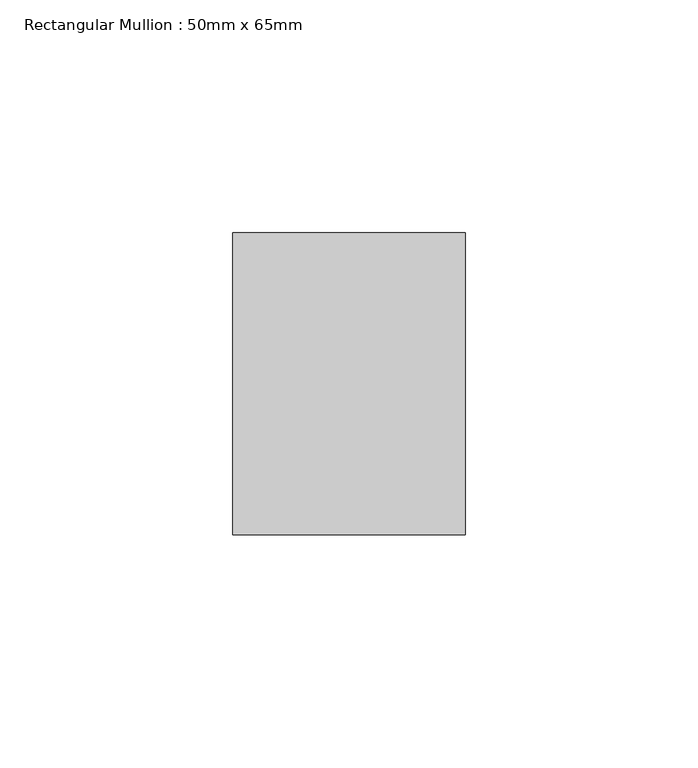
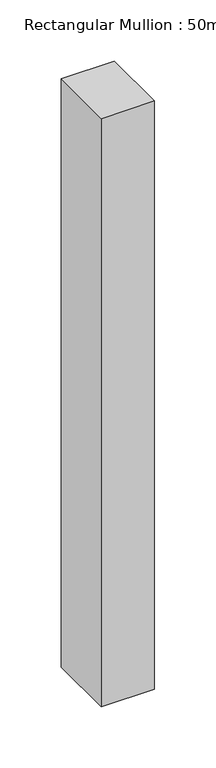
"""IFC4 building model written with IfcOpenShell, lengths in millimetres: member geometry, Rectangular Mullion : 50mm x 65mm."""

import ifcopenshell
import ifcopenshell.guid

model = None  # the IFC model being written
_history = None  # IfcOwnerHistory: only IFC2X3 demands one
_inside = {}  # id of a spatial element -> (the spatial element, [elements in it])
_under = {}  # id of a project, library or spatial element -> (it, [spatial elements below it])
_declared = {}  # id of a project -> (the project, [libraries it declares])
_typed = {}  # id of a type object -> (the type object, [elements of that type])
_made_of = {}  # id of a material, layer set ... -> (it, [elements and type objects made of it])


def new_model(schema):
    """Start an empty IFC model of exactly this schema.

    Asked for "IFC4X3", IfcOpenShell would pick the latest addendum, in which some entities
    have other attributes; the version numbers below select the first issue.
    IFC2X3 requires an IfcOwnerHistory on every rooted entity: one is made here for all.
    """
    global model, _history
    if schema == "IFC4X3":
        model = ifcopenshell.file(schema_version=(4, 3, 0, 0))
    else:
        model = ifcopenshell.file(schema=schema)
    _inside.clear()
    _under.clear()
    _declared.clear()
    _typed.clear()
    _made_of.clear()
    _history = None
    if model.schema == "IFC2X3":
        org = make("IfcOrganization", Name="unknown")
        user = make(
            "IfcPersonAndOrganization",
            ThePerson=make("IfcPerson", FamilyName="unknown"),
            TheOrganization=org,
        )
        app = make(
            "IfcApplication",
            ApplicationDeveloper=org,
            Version="unknown",
            ApplicationFullName="unknown",
            ApplicationIdentifier="unknown",
        )
        _history = make(
            "IfcOwnerHistory",
            OwningUser=user,
            OwningApplication=app,
            ChangeAction="ADDED",
            CreationDate=0,
        )
    return model


def make(cls, **values):
    """One entity of the class cls with the attributes given. An attribute that is None is left unset."""
    return model.create_entity(
        cls, **{name: value for name, value in values.items() if value is not None}
    )


def rooted(cls, **values):
    """An entity with a GlobalId (a new one), such as an element, a storey or a relation."""
    return make(cls, GlobalId=ifcopenshell.guid.new(), OwnerHistory=_history, **values)


def si_unit(unit_type, name, prefix=None):
    """IfcSIUnit, for example si_unit("LENGTHUNIT", "METRE", prefix="MILLI")."""
    return make("IfcSIUnit", UnitType=unit_type, Prefix=prefix, Name=name)


def assignment(units):
    """IfcUnitAssignment: the units of a project."""
    return None if units is None else make("IfcUnitAssignment", Units=units)


def point(xyz):
    """IfcCartesianPoint."""
    return None if xyz is None else make("IfcCartesianPoint", Coordinates=xyz)


def direction(xyz):
    """IfcDirection."""
    return None if xyz is None else make("IfcDirection", DirectionRatios=xyz)


def frame(location, z_axis=None, x_axis=None):
    """IfcAxis2Placement3D, a coordinate frame: its origin and axes. An axis left out is left unset."""
    return make(
        "IfcAxis2Placement3D",
        Location=point(location),
        Axis=direction(z_axis),
        RefDirection=direction(x_axis),
    )


def origin():
    """The frame at (0, 0, 0) with its axes left unset."""
    return frame((0.0, 0.0, 0.0))


def place(relative_to, where):
    """IfcLocalPlacement: puts the frame where relative to a parent placement (None: the world)."""
    return make(
        "IfcLocalPlacement", PlacementRelTo=relative_to, RelativePlacement=where
    )


def context(
    kind, dimensions, precision=None, world=None, true_north=None, identifier=None
):
    """IfcGeometricRepresentationContext, for example the 3D "Model" context."""
    return make(
        "IfcGeometricRepresentationContext",
        ContextIdentifier=identifier,
        ContextType=kind,
        CoordinateSpaceDimension=dimensions,
        Precision=precision,
        WorldCoordinateSystem=world,
        TrueNorth=true_north,
    )


def project(units=None, contexts=None):
    """IfcProject with its units and contexts."""
    return rooted(
        "IfcProject",
        Name="project",
        RepresentationContexts=contexts,
        UnitsInContext=assignment(units),
    )


def spatial(cls, under=None, at=None, **own):
    """A site, building, storey or space (cls), placed at a placement, below another one or the project."""
    s = rooted(cls, ObjectPlacement=at, **own)
    if under is not None:
        _under.setdefault(under.id(), (under, []))[1].append(s)
    return s


def polyline(points):
    """IfcPolyline through the points."""
    return make("IfcPolyline", Points=[point(p) for p in points])


def outline(outer, holes=None, kind="AREA"):
    """IfcArbitraryClosedProfileDef: a profile drawn as a closed curve; with holes, ...WithVoids."""
    if holes is None:
        return make("IfcArbitraryClosedProfileDef", ProfileType=kind, OuterCurve=outer)
    return make(
        "IfcArbitraryProfileDefWithVoids",
        ProfileType=kind,
        OuterCurve=outer,
        InnerCurves=holes,
    )


def extrude(swept, where, along, depth):
    """IfcExtrudedAreaSolid: the profile swept, set in the frame where, extruded along a direction by depth."""
    return make(
        "IfcExtrudedAreaSolid",
        SweptArea=swept,
        Position=where,
        ExtrudedDirection=direction(along),
        Depth=depth,
    )


def shape(context_of_items, identifier, shape_type, items):
    """IfcShapeRepresentation: the items that make up one representation, for example the "Body"."""
    return make(
        "IfcShapeRepresentation",
        ContextOfItems=context_of_items,
        RepresentationIdentifier=identifier,
        RepresentationType=shape_type,
        Items=items,
    )


def source(mapping_origin, context_of_items, identifier, shape_type, items):
    """IfcRepresentationMap: a shape defined once, which mapped items show again and again."""
    return make(
        "IfcRepresentationMap",
        MappingOrigin=mapping_origin,
        MappedRepresentation=shape(context_of_items, identifier, shape_type, items),
    )


def transform(
    local_origin,
    x_axis=None,
    y_axis=None,
    z_axis=None,
    scale=None,
    scale2=None,
    scale3=None,
    uniform=True,
):
    """IfcCartesianTransformationOperator3D, or its non-uniform kind. x_axis, y_axis, z_axis: its Axis1, 2, 3."""
    if uniform:
        return make(
            "IfcCartesianTransformationOperator3D",
            Axis1=direction(x_axis),
            Axis2=direction(y_axis),
            LocalOrigin=point(local_origin),
            Scale=scale,
            Axis3=direction(z_axis),
        )
    return make(
        "IfcCartesianTransformationOperator3DnonUniform",
        Axis1=direction(x_axis),
        Axis2=direction(y_axis),
        LocalOrigin=point(local_origin),
        Scale=scale,
        Axis3=direction(z_axis),
        Scale2=scale2,
        Scale3=scale3,
    )


def mapped(mapping_source, mapping_target):
    """IfcMappedItem: shows the shape of a source again, moved by a transform."""
    return make(
        "IfcMappedItem", MappingSource=mapping_source, MappingTarget=mapping_target
    )


def made_of(thing, what):
    """Note that an element or type object is made of a material, layer set ...; save() writes the relation."""
    if what is not None:
        _made_of.setdefault(what.id(), (what, []))[1].append(thing)
    return thing


def element(
    cls,
    number,
    at=None,
    inside=None,
    cuts=None,
    type_object=None,
    material=None,
    context=None,
    identifier="Body",
    shape_type=None,
    held_by="IfcProductDefinitionShape",
    body=None,
    shapes=None,
    **own,
):
    """One element of the class cls, such as IfcWall. Its Tag is "e" and its number.

    at: its placement. inside: the storey or other place that contains it. cuts: it is an
    opening in that element (IfcRelVoidsElement). A single representation is given by context,
    identifier, shape_type and body (its items); several are given by shapes. held_by: the class
    of the entity that holds the representations. save() writes the other relations.
    """
    e = rooted(cls, Tag="e%d" % number, ObjectPlacement=at, **own)
    if body is not None:
        shapes = [shape(context, identifier, shape_type, body)]
    if shapes is not None:
        e.Representation = make(held_by, Representations=shapes)
    if inside is not None:
        _inside.setdefault(inside.id(), (inside, []))[1].append(e)
    if cuts is not None:
        rooted(
            "IfcRelVoidsElement", RelatingBuildingElement=cuts, RelatedOpeningElement=e
        )
    if type_object is not None:
        _typed.setdefault(type_object.id(), (type_object, []))[1].append(e)
    return made_of(e, material)


def aggregate(whole, parts):
    """IfcRelAggregates: a whole, such as a stair, and the parts it consists of."""
    return rooted("IfcRelAggregates", RelatingObject=whole, RelatedObjects=parts)


def save(model, path):
    """Write the relations noted so far, then the file.

    IfcRelAggregates (storeys below a building ...), IfcRelContainedInSpatialStructure (elements
    in a storey), IfcRelDefinesByType, IfcRelAssociatesMaterial and IfcRelDeclares: one each for
    every whole, place, type object, material and project.
    """
    for whole, parts in _under.values():
        aggregate(whole, parts)
    for where, things in _inside.values():
        rooted(
            "IfcRelContainedInSpatialStructure",
            RelatedElements=things,
            RelatingStructure=where,
        )
    for kind, things in _typed.values():
        rooted("IfcRelDefinesByType", RelatedObjects=things, RelatingType=kind)
    for what, things in _made_of.values():
        rooted("IfcRelAssociatesMaterial", RelatedObjects=things, RelatingMaterial=what)
    for by, libraries in _declared.values():
        rooted("IfcRelDeclares", RelatingContext=by, RelatedDefinitions=libraries)
    model.write(path)


def rectangular_mullion_50mm_x_65mm_58e65d1b(model_context):
    return source(origin(), model_context, "Body", "SweptSolid", [
        extrude(outline(polyline([(25.0, 32.5), (25.0, -32.5), (-25.0, -32.5), (-25.0, 32.5), (25.0, 32.5)])), frame((0.0, 0.0, -585.2033887), z_axis=(0.0, 0.0, 1.0), x_axis=(1.0, 0.0, 0.0)), (0.0, 0.0, 1.0), 585.2033887),
    ])


if __name__ == "__main__":
    model = new_model("IFC4")
    model_context = context("Model", 3, world=origin())
    ifc_project = project(units=[si_unit("LENGTHUNIT", "METRE", prefix="MILLI")], contexts=[model_context])
    site = spatial("IfcSite", under=ifc_project)
    building = spatial("IfcBuilding", under=site)
    placement = place(None, origin())
    rectangular_mullion_50mm_x_65mm_shape = rectangular_mullion_50mm_x_65mm_58e65d1b(model_context)
    element("IfcMember", 1, ObjectType="Rectangular Mullion : 50mm x 65mm", at=placement, inside=building, context=model_context, shape_type="MappedRepresentation", body=[
        mapped(rectangular_mullion_50mm_x_65mm_shape, transform((0.0, 0.0, 0.0), x_axis=(1.0, 0.0, 0.0), y_axis=(0.0, 1.0, 0.0), z_axis=(0.0, 0.0, 1.0))),
    ])
    save(model, "model.ifc")
